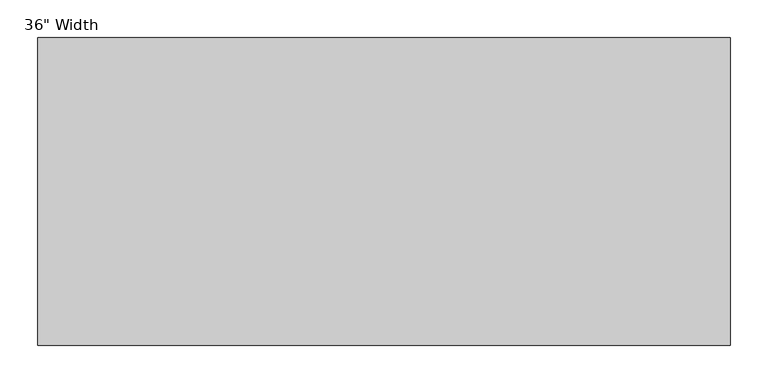
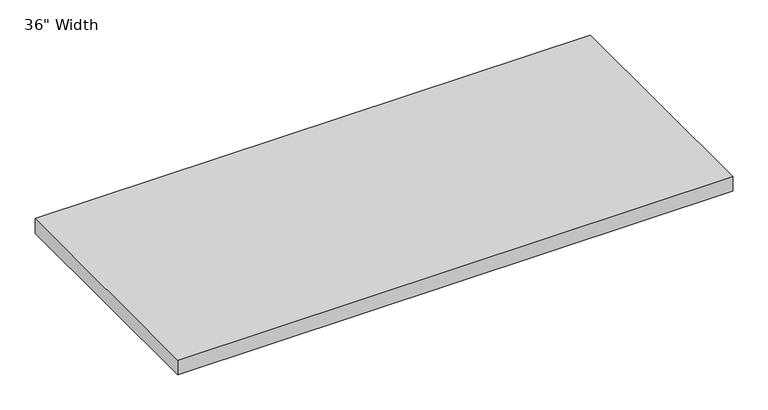
"""IFC4 building model written with IfcOpenShell, lengths in millimetres: furniture geometry."""

from ifc_helpers import new_model, si_unit, origin, origin_with_axes, place, context, project, spatial, polyline, outline, extrude, source, transform, mapped, element, save


def furniture_1d4756c6(model_context):
    return source(origin(), model_context, "Body", "SweptSolid", [
        extrude(outline(polyline([(381.0, 29.2199219), (381.0, -377.1800781), (-533.4, -377.1800781), (-533.4, 29.2199219), (381.0, 29.2199219)])), origin_with_axes(), (0.0, 0.0, 1.0), 25.4),
    ])


if __name__ == "__main__":
    model = new_model("IFC4")
    model_context = context("Model", 3, world=origin())
    ifc_project = project(units=[si_unit("LENGTHUNIT", "METRE", prefix="MILLI")], contexts=[model_context])
    site = spatial("IfcSite", under=ifc_project)
    building = spatial("IfcBuilding", under=site)
    placement = place(None, origin())
    furniture_shape = furniture_1d4756c6(model_context)
    element("IfcFurniture", 1, ObjectType="36\" Width", at=placement, inside=building, context=model_context, shape_type="MappedRepresentation", body=[
        mapped(furniture_shape, transform((0.0, 0.0, 0.0), x_axis=(1.0, 0.0, 0.0), y_axis=(0.0, 1.0, 0.0), z_axis=(0.0, 0.0, 1.0))),
    ])
    save(model, "model.ifc")
